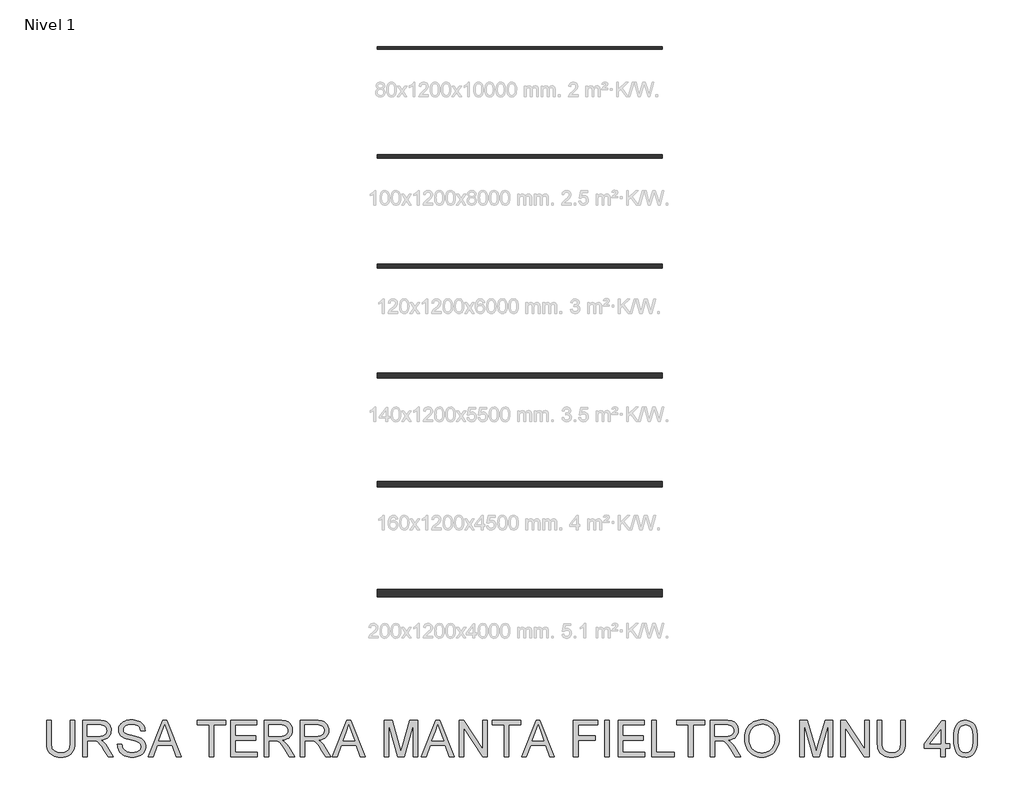
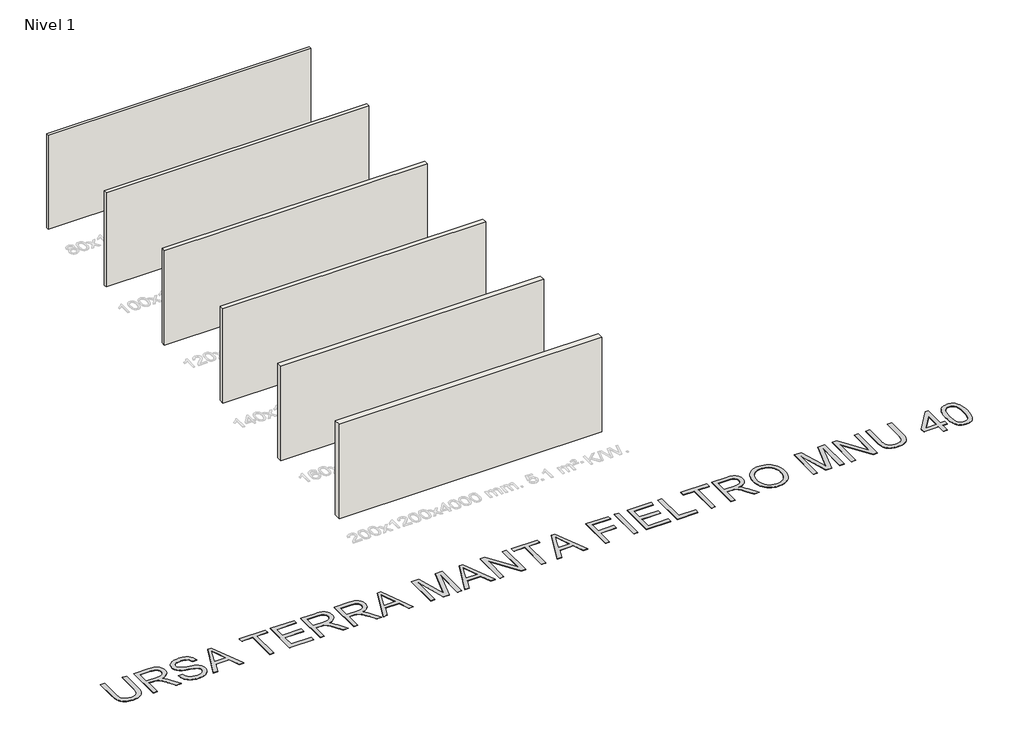
# One storey, part 1 of 7: 6 walls, 1 proxy.
"""IFC4 building model written with IfcOpenShell, lengths in millimetres."""

from ifc_helpers import new_model, si_unit, origin, origin_with_axes, place, context, project, spatial, polyline, outline, extrude, element, save

model = new_model("IFC4")

# Units and contexts
model_context = context("Model", 3, world=origin())
ifc_project = project(units=[si_unit("LENGTHUNIT", "METRE", prefix="MILLI")], contexts=[model_context])

# Site, building, storey
site = spatial("IfcSite", under=ifc_project)
building = spatial("IfcBuilding", under=site)
storey = spatial("IfcBuildingStorey", under=building, Name="Nivel 1", Elevation=0.0)

# Proxy
placement = place(None, origin())
element("IfcBuildingElementProxy", 1, Name="Texto de modelo 2", ObjectType="Texto de modelo 2", at=placement, inside=storey, context=model_context, shape_type="SweptSolid", body=[
    extrude(outline(polyline([(-8735.1137766, -14680.0537554), (-8609.5433889, -14680.0537554), (-8609.5433889, -15259.5905251), (-8611.6740388, -15331.3505068), (-8618.0659884, -15395.3083245), (-8628.7192379, -15451.4639782), (-8643.6337871, -15499.817468), (-8664.0972231, -15542.2005395), (-8691.3971328, -15580.4449386), (-8725.5335163, -15614.5506652), (-8766.5063735, -15644.5177194), (-8814.3616897, -15668.9282226), (-8869.1454501, -15686.3642963), (-8930.8576548, -15696.8259406), (-8999.4983038, -15700.3131553), (-9066.4451627, -15697.2781289), (-9127.0000719, -15688.1730495), (-9181.1630315, -15672.9979172), (-9228.9340414, -15651.752732), (-9270.3207659, -15624.7517264), (-9305.3308691, -15592.3091329), (-9333.9643511, -15554.4249516), (-9356.2212118, -15511.0991825), (-9372.9061931, -15460.8449691), (-9384.8240369, -15402.1754551), (-9391.9747432, -15335.0906404), (-9394.3583119, -15259.5905251), (-9394.3583119, -14680.0537554), (-9268.7879242, -14680.0537554), (-9268.7879242, -15255.1759412), (-9267.2397542, -15315.8841346), (-9262.595244, -15368.0237432), (-9254.8543937, -15411.594767), (-9244.0172032, -15446.597206), (-9229.4092223, -15475.5602489), (-9210.3560007, -15501.0130844), (-9186.8575382, -15522.9557126), (-9158.913835, -15541.3881334), (-9127.0613856, -15555.9807859), (-9091.8366846, -15566.4041091), (-9053.2397319, -15572.658103), (-9011.2705276, -15574.7427676), (-8942.0627273, -15570.6194236), (-8883.5541616, -15558.2493915), (-8835.7448307, -15537.6326714), (-8815.8523782, -15524.2318033), (-8798.6347344, -15508.7692632), (-8783.7470099, -15490.3751634), (-8770.8443154, -15468.1796164), (-8750.994016, -15412.3841804), (-8739.0838364, -15341.3829554), (-8735.1137766, -15255.1759412), (-8735.1137766, -14680.0537554)])), origin_with_axes(), (0.0, 0.0, 1.0), 10.0),
    extrude(outline(polyline([(-8389.7952104, -15684.6168569), (-8389.7952104, -14680.0537554), (-7956.9207294, -14680.0537554), (-7894.7869933, -14681.7475454), (-7840.5780485, -14686.8289155), (-7794.2938949, -14695.2978655), (-7755.9345327, -14707.1543957), (-7723.2696773, -14723.3105466), (-7694.0690439, -14744.6783592), (-7668.3326326, -14771.2578333), (-7646.0604435, -14803.0489691), (-7628.0878752, -14838.342648), (-7615.2503264, -14875.4297516), (-7607.5477971, -14914.31028), (-7604.9802874, -14954.9842331), (-7609.233923, -15006.5796829), (-7621.9948297, -15053.9444898), (-7643.2630075, -15097.0786537), (-7673.0384565, -15135.9821747), (-7711.704387, -15169.413451), (-7759.6440095, -15196.1308809), (-7816.857324, -15216.1344644), (-7883.3443304, -15229.4242015), (-7841.9576059, -15256.4635281), (-7811.9752233, -15283.1349728), (-7760.5330577, -15344.1420703), (-7710.194538, -15412.3841804), (-7542.6856029, -15684.6168569), (-7688.6121276, -15684.6168569), (-7819.3328632, -15476.3956476), (-7871.6334202, -15396.9331366), (-7913.7559087, -15338.5625267), (-7948.8579824, -15298.3714188), (-7980.0972951, -15273.4474136), (-8009.6811389, -15258.8241043), (-8039.8168057, -15249.5350839), (-8112.6574407, -15245.1205), (-8264.2248227, -15245.1205), (-8264.2248227, -15684.6168569), (-8389.7952104, -15684.6168569)]), holes=[polyline([(-8264.2248227, -15119.5501123), (-7983.1629784, -15119.5501123), (-7902.4435373, -15115.1048715), (-7839.8116276, -15101.7691492), (-7814.6270394, -15091.5450954), (-7792.6614186, -15078.6538971), (-7773.9147653, -15063.0955544), (-7758.3870794, -15044.8700673), (-7746.2086525, -15024.874148), (-7737.5097762, -15004.004509), (-7732.2904503, -14982.2611502), (-7730.5506751, -14959.6440717), (-7733.8692772, -14927.5310392), (-7743.8250837, -14898.3917195), (-7760.4180946, -14872.2261126), (-7783.6483097, -14849.0342185), (-7814.0522238, -14830.0423105), (-7852.1663313, -14816.4766619), (-7897.9906323, -14808.3372728), (-7951.5251268, -14805.6241431), (-8264.2248227, -14805.6241431), (-8264.2248227, -15119.5501123)])]), origin_with_axes(), (0.0, 0.0, 1.0), 10.0),
    extrude(outline(polyline([(-7432.3210043, -15339.2982907), (-7306.7506166, -15339.2982907), (-7301.0024605, -15375.8488998), (-7292.3419052, -15408.981272), (-7280.7689507, -15438.6954073), (-7266.2835972, -15464.9913057), (-7248.1500805, -15488.3977977), (-7225.6326367, -15509.4437135), (-7198.7312658, -15528.1290532), (-7167.4459678, -15544.4538167), (-7132.9263739, -15557.7052327), (-7096.3221154, -15567.1705299), (-7057.6331922, -15572.8497082), (-7016.8596044, -15574.7427676), (-6946.9007117, -15569.0099399), (-6915.186218, -15561.8439052), (-6885.6483595, -15551.8114566), (-6859.0152359, -15539.2728119), (-6836.014947, -15524.588189), (-6816.6474928, -15507.7575877), (-6800.9128733, -15488.7810081), (-6788.7344464, -15468.4785205), (-6780.03557, -15447.6701951), (-6774.8162442, -15426.356032), (-6773.076469, -15404.5360312), (-6778.2881306, -15362.5055133), (-6793.9231154, -15326.1771662), (-6807.0748967, -15310.0593363), (-6825.6835943, -15295.1831081), (-6849.7492081, -15281.5484817), (-6879.2717382, -15269.155457), (-6945.5824679, -15249.4431134), (-7062.1090898, -15221.2081703), (-7182.1305908, -15189.4783482), (-7225.9315408, -15174.1882528), (-7258.9259573, -15159.2813678), (-7292.4568683, -15139.2777843), (-7321.4352396, -15117.036252), (-7345.8610712, -15092.5567709), (-7365.7343632, -15065.839341), (-7381.1317575, -15037.1598738), (-7392.1298963, -15006.7942808), (-7398.7287796, -14974.7425619), (-7400.9284074, -14941.0047173), (-7398.2076135, -14903.6110453), (-7390.0452317, -14867.4589751), (-7376.4412621, -14832.5485066), (-7357.3957046, -14798.8796398), (-7333.1231572, -14767.8242681), (-7303.8382175, -14740.7542846), (-7269.5408857, -14717.6696894), (-7230.2311616, -14698.5704825), (-7187.2349535, -14683.6022838), (-7141.8781691, -14672.9107133), (-7094.1608087, -14666.495771), (-7044.0828721, -14664.3574569), (-6989.4523958, -14666.5954057), (-6938.1328575, -14673.3092521), (-6890.1242571, -14684.4989961), (-6845.4265947, -14700.1646378), (-6804.8676047, -14720.1682213), (-6769.2750217, -14744.3717909), (-6738.6488456, -14772.7753466), (-6712.9890764, -14805.3788884), (-6692.4949836, -14841.2320545), (-6677.3658366, -14879.3844831), (-6667.6016353, -14919.8361741), (-6663.2023797, -14962.5871277), (-6788.7727674, -14962.5871277), (-6797.1727396, -14922.518647), (-6811.8267058, -14887.661828), (-6832.7346658, -14858.0166705), (-6859.8966198, -14833.5831747), (-6893.8184055, -14814.4839678), (-6935.0058605, -14800.8416771), (-6983.458985, -14792.6563027), (-7039.1777788, -14789.9278446), (-7096.674669, -14792.6256459), (-7145.8022437, -14800.7190498), (-7186.5605031, -14814.2080563), (-7218.9494471, -14833.0926654), (-7243.6281976, -14855.7940502), (-7261.2558766, -14880.7333837), (-7271.8324839, -14907.9106661), (-7275.3580197, -14937.3258973), (-7272.8594878, -14962.6331129), (-7265.3638922, -14985.5797524), (-7252.8712328, -15006.1658157), (-7235.3815096, -15024.3913029), (-7207.8516736, -15041.6510998), (-7164.5029118, -15059.0948377), (-7105.3352243, -15076.7225167), (-7030.3486109, -15094.5341366), (-6891.9023534, -15128.1953392), (-6843.1886459, -15143.4164567), (-6808.1478858, -15157.5645851), (-6769.6505679, -15179.0090397), (-6736.5641809, -15203.1206388), (-6708.888725, -15229.8993824), (-6686.6242001, -15259.3452704), (-6669.5100231, -15291.3050188), (-6657.285611, -15325.6253432), (-6649.9509637, -15362.3062438), (-6647.5060813, -15401.3477206), (-6650.3188457, -15440.6267878), (-6658.757139, -15478.7562237), (-6672.8209611, -15515.7360285), (-6692.510312, -15551.5662019), (-6717.4803024, -15584.8595225), (-6747.386043, -15614.2287685), (-6782.2275336, -15639.6739398), (-6822.0047743, -15661.1950365), (-6865.5604697, -15678.3092135), (-6911.7373243, -15690.5336256), (-6960.5353381, -15697.8682729), (-7011.9545112, -15700.3131553), (-7076.1882404, -15697.6766677), (-7134.9803817, -15689.7672048), (-7188.3309352, -15676.5847666), (-7236.2399009, -15658.1293532), (-7278.9985186, -15634.3703077), (-7316.8980283, -15605.2769732), (-7349.93843, -15570.8493499), (-7378.1197237, -15531.0874375), (-7400.8211085, -15487.2788233), (-7417.4217835, -15440.7110941), (-7427.9217488, -15391.3842499), (-7432.3210043, -15339.2982907)])), origin_with_axes(), (0.0, 0.0, 1.0), 10.0),
    extrude(outline(polyline([(-6576.1369742, -15684.6168569), (-6175.1455995, -14680.0537554), (-6068.2145662, -14680.0537554), (-5667.2231915, -15684.6168569), (-5799.9059644, -15684.6168569), (-5914.9304015, -15370.6908877), (-6328.6750188, -15370.6908877), (-6443.4542013, -15684.6168569), (-6576.1369742, -15684.6168569)]), holes=[polyline([(-6282.5671421, -15245.1205), (-5960.7930236, -15245.1205), (-6051.2919944, -14998.1490539), (-6121.6800828, -14805.6241431), (-6184.220022, -14976.5666435), (-6282.5671421, -15245.1205)])]), origin_with_axes(), (0.0, 0.0, 1.0), 10.0),
    extrude(outline(polyline([(-4889.5206537, -15684.6168569), (-4889.5206537, -14805.6241431), (-5219.1429213, -14805.6241431), (-5219.1429213, -14680.0537554), (-4434.3279983, -14680.0537554), (-4434.3279983, -14805.6241431), (-4763.950266, -14805.6241431), (-4763.950266, -15684.6168569), (-4889.5206537, -15684.6168569)])), origin_with_axes(), (0.0, 0.0, 1.0), 10.0),
    extrude(outline(polyline([(-4293.0613121, -15684.6168569), (-4293.0613121, -14680.0537554), (-3571.0315829, -14680.0537554), (-3571.0315829, -14805.6241431), (-4167.4909245, -14805.6241431), (-4167.4909245, -15103.8538138), (-3602.4241799, -15103.8538138), (-3602.4241799, -15229.4242015), (-4167.4909245, -15229.4242015), (-4167.4909245, -15559.0464692), (-3555.3352845, -15559.0464692), (-3555.3352845, -15684.6168569), (-4293.0613121, -15684.6168569)])), origin_with_axes(), (0.0, 0.0, 1.0), 10.0),
    extrude(outline(polyline([(-3366.979703, -15684.6168569), (-3366.979703, -14680.0537554), (-2934.105222, -14680.0537554), (-2871.9714858, -14681.7475454), (-2817.762541, -14686.8289155), (-2771.4783875, -14695.2978655), (-2733.1190253, -14707.1543957), (-2700.4541698, -14723.3105466), (-2671.2535364, -14744.6783592), (-2645.5171252, -14771.2578333), (-2623.244936, -14803.0489691), (-2605.2723677, -14838.342648), (-2592.4348189, -14875.4297516), (-2584.7322897, -14914.31028), (-2582.1647799, -14954.9842331), (-2586.4184155, -15006.5796829), (-2599.1793222, -15053.9444898), (-2620.4475, -15097.0786537), (-2650.222949, -15135.9821747), (-2688.8888796, -15169.413451), (-2736.828502, -15196.1308809), (-2794.0418165, -15216.1344644), (-2860.5288229, -15229.4242015), (-2819.1420985, -15256.4635281), (-2789.1597159, -15283.1349728), (-2737.7175502, -15344.1420703), (-2687.3790305, -15412.3841804), (-2519.8700954, -15684.6168569), (-2665.7966201, -15684.6168569), (-2796.5173558, -15476.3956476), (-2848.8179127, -15396.9331366), (-2890.9404012, -15338.5625267), (-2926.0424749, -15298.3714188), (-2957.2817877, -15273.4474136), (-2986.8656314, -15258.8241043), (-3017.0012982, -15249.5350839), (-3089.8419333, -15245.1205), (-3241.4093153, -15245.1205), (-3241.4093153, -15684.6168569), (-3366.979703, -15684.6168569)]), holes=[polyline([(-3241.4093153, -15119.5501123), (-2960.347471, -15119.5501123), (-2879.6280298, -15115.1048715), (-2816.9961202, -15101.7691492), (-2791.8115319, -15091.5450954), (-2769.8459111, -15078.6538971), (-2751.0992578, -15063.0955544), (-2735.5715719, -15044.8700673), (-2723.393145, -15024.874148), (-2714.6942687, -15004.004509), (-2709.4749429, -14982.2611502), (-2707.7351676, -14959.6440717), (-2711.0537698, -14927.5310392), (-2721.0095763, -14898.3917195), (-2737.6025871, -14872.2261126), (-2760.8328022, -14849.0342185), (-2791.2367163, -14830.0423105), (-2829.3508238, -14816.4766619), (-2875.1751249, -14808.3372728), (-2928.7096194, -14805.6241431), (-3241.4093153, -14805.6241431), (-3241.4093153, -15119.5501123)])]), origin_with_axes(), (0.0, 0.0, 1.0), 10.0),
    extrude(outline(polyline([(-2362.4166015, -15684.6168569), (-2362.4166015, -14680.0537554), (-1929.5421205, -14680.0537554), (-1867.4083843, -14681.7475454), (-1813.1994395, -14686.8289155), (-1766.915286, -14695.2978655), (-1728.5559238, -14707.1543957), (-1695.8910683, -14723.3105466), (-1666.6904349, -14744.6783592), (-1640.9540237, -14771.2578333), (-1618.6818345, -14803.0489691), (-1600.7092662, -14838.342648), (-1587.8717174, -14875.4297516), (-1580.1691882, -14914.31028), (-1577.6016784, -14954.9842331), (-1581.855314, -15006.5796829), (-1594.6162207, -15053.9444898), (-1615.8843985, -15097.0786537), (-1645.6598475, -15135.9821747), (-1684.3257781, -15169.413451), (-1732.2654006, -15196.1308809), (-1789.478715, -15216.1344644), (-1855.9657214, -15229.4242015), (-1814.578997, -15256.4635281), (-1784.5966144, -15283.1349728), (-1733.1544487, -15344.1420703), (-1682.815929, -15412.3841804), (-1515.3069939, -15684.6168569), (-1661.2335187, -15684.6168569), (-1791.9542543, -15476.3956476), (-1844.2548113, -15396.9331366), (-1886.3772997, -15338.5625267), (-1921.4793734, -15298.3714188), (-1952.7186862, -15273.4474136), (-1982.3025299, -15258.8241043), (-2012.4381967, -15249.5350839), (-2085.2788318, -15245.1205), (-2236.8462138, -15245.1205), (-2236.8462138, -15684.6168569), (-2362.4166015, -15684.6168569)]), holes=[polyline([(-2236.8462138, -15119.5501123), (-1955.7843695, -15119.5501123), (-1875.0649283, -15115.1048715), (-1812.4330187, -15101.7691492), (-1787.2484304, -15091.5450954), (-1765.2828096, -15078.6538971), (-1746.5361563, -15063.0955544), (-1731.0084704, -15044.8700673), (-1718.8300435, -15024.874148), (-1710.1311672, -15004.004509), (-1704.9118414, -14982.2611502), (-1703.1720661, -14959.6440717), (-1706.4906683, -14927.5310392), (-1716.4464748, -14898.3917195), (-1733.0394856, -14872.2261126), (-1756.2697007, -14849.0342185), (-1786.6736148, -14830.0423105), (-1824.7877223, -14816.4766619), (-1870.6120234, -14808.3372728), (-1924.1465179, -14805.6241431), (-2236.8462138, -14805.6241431), (-2236.8462138, -15119.5501123)])]), origin_with_axes(), (0.0, 0.0, 1.0), 10.0),
    extrude(outline(polyline([(-1474.8399744, -15684.6168569), (-1073.8485997, -14680.0537554), (-966.9175664, -14680.0537554), (-565.9261917, -15684.6168569), (-698.6089646, -15684.6168569), (-813.6334018, -15370.6908877), (-1227.378019, -15370.6908877), (-1342.1572015, -15684.6168569), (-1474.8399744, -15684.6168569)]), holes=[polyline([(-1181.2701423, -15245.1205), (-859.4960238, -15245.1205), (-949.9949946, -14998.1490539), (-1020.3830831, -14805.6241431), (-1082.9230222, -14976.5666435), (-1181.2701423, -15245.1205)])]), origin_with_axes(), (0.0, 0.0, 1.0), 10.0),
    extrude(outline(polyline([(-39.3644292, -15684.6168569), (-39.3644292, -14680.0537554), (176.7049293, -14680.0537554), (382.2283372, -15388.1039688), (423.6763753, -15535.9925308), (468.5579788, -15375.8412356), (670.6478214, -14680.0537554), (886.7171799, -14680.0537554), (886.7171799, -15684.6168569), (761.1467923, -15684.6168569), (761.1467923, -14805.6241431), (508.7797436, -15684.6168569), (338.5730071, -15684.6168569), (86.2059584, -14805.6241431), (86.2059584, -15684.6168569), (-39.3644292, -15684.6168569)])), origin_with_axes(), (0.0, 0.0, 1.0), 10.0),
    extrude(outline(polyline([(989.4788839, -15684.6168569), (1390.4702587, -14680.0537554), (1497.4012919, -14680.0537554), (1898.3926667, -15684.6168569), (1765.7098938, -15684.6168569), (1650.6854566, -15370.6908877), (1236.9408394, -15370.6908877), (1122.1616569, -15684.6168569), (989.4788839, -15684.6168569)]), holes=[polyline([(1283.0487161, -15245.1205), (1604.8228345, -15245.1205), (1514.3238637, -14998.1490539), (1443.9357753, -14805.6241431), (1381.3958361, -14976.5666435), (1283.0487161, -15245.1205)])]), origin_with_axes(), (0.0, 0.0, 1.0), 10.0),
    extrude(outline(polyline([(2032.5469676, -15684.6168569), (2032.5469676, -14680.0537554), (2166.9465232, -14680.0537554), (2691.7915029, -15475.9051383), (2691.7915029, -14680.0537554), (2817.3618906, -14680.0537554), (2817.3618906, -15684.6168569), (2682.9623351, -15684.6168569), (2158.1173553, -14888.5202193), (2158.1173553, -15684.6168569), (2032.5469676, -15684.6168569)])), origin_with_axes(), (0.0, 0.0, 1.0), 10.0),
    extrude(outline(polyline([(3288.2508445, -15684.6168569), (3288.2508445, -14805.6241431), (2958.6285768, -14805.6241431), (2958.6285768, -14680.0537554), (3743.4434998, -14680.0537554), (3743.4434998, -14805.6241431), (3413.8212321, -14805.6241431), (3413.8212321, -15684.6168569), (3288.2508445, -15684.6168569)])), origin_with_axes(), (0.0, 0.0, 1.0), 10.0),
    extrude(outline(polyline([(3767.7237115, -15684.6168569), (4168.7150862, -14680.0537554), (4275.6461195, -14680.0537554), (4676.6374943, -15684.6168569), (4543.9547213, -15684.6168569), (4428.9302842, -15370.6908877), (4015.1856669, -15370.6908877), (3900.4064844, -15684.6168569), (3767.7237115, -15684.6168569)]), holes=[polyline([(4061.2935437, -15245.1205), (4383.0676621, -15245.1205), (4292.5686913, -14998.1490539), (4222.1806029, -14805.6241431), (4159.6406637, -14976.5666435), (4061.2935437, -15245.1205)])]), origin_with_axes(), (0.0, 0.0, 1.0), 10.0),
    extrude(outline(polyline([(5203.1992567, -15684.6168569), (5203.1992567, -14680.0537554), (5878.1400905, -14680.0537554), (5878.1400905, -14805.6241431), (5328.7696444, -14805.6241431), (5328.7696444, -15103.8538138), (5799.6585982, -15103.8538138), (5799.6585982, -15229.4242015), (5328.7696444, -15229.4242015), (5328.7696444, -15684.6168569), (5203.1992567, -15684.6168569)])), origin_with_axes(), (0.0, 0.0, 1.0), 10.0),
    extrude(outline(polyline([(6066.495672, -15684.6168569), (6066.495672, -14680.0537554), (6192.0660597, -14680.0537554), (6192.0660597, -15684.6168569), (6066.495672, -15684.6168569)])), origin_with_axes(), (0.0, 0.0, 1.0), 10.0),
    extrude(outline(polyline([(6443.2068351, -15684.6168569), (6443.2068351, -14680.0537554), (7165.2365643, -14680.0537554), (7165.2365643, -14805.6241431), (6568.7772228, -14805.6241431), (6568.7772228, -15103.8538138), (7133.8439674, -15103.8538138), (7133.8439674, -15229.4242015), (6568.7772228, -15229.4242015), (6568.7772228, -15559.0464692), (7180.9328628, -15559.0464692), (7180.9328628, -15684.6168569), (6443.2068351, -15684.6168569)])), origin_with_axes(), (0.0, 0.0, 1.0), 10.0),
    extrude(outline(polyline([(7369.2884443, -15684.6168569), (7369.2884443, -14680.0537554), (7494.858832, -14680.0537554), (7494.858832, -15559.0464692), (7997.1403827, -15559.0464692), (7997.1403827, -15684.6168569), (7369.2884443, -15684.6168569)])), origin_with_axes(), (0.0, 0.0, 1.0), 10.0),
    extrude(outline(polyline([(8389.5478442, -15684.6168569), (8389.5478442, -14805.6241431), (8059.9255766, -14805.6241431), (8059.9255766, -14680.0537554), (8844.7404996, -14680.0537554), (8844.7404996, -14805.6241431), (8515.1182319, -14805.6241431), (8515.1182319, -15684.6168569), (8389.5478442, -15684.6168569)])), origin_with_axes(), (0.0, 0.0, 1.0), 10.0),
    extrude(outline(polyline([(8986.0071858, -15684.6168569), (8986.0071858, -14680.0537554), (9418.8816667, -14680.0537554), (9481.0154029, -14681.7475454), (9535.2243477, -14686.8289155), (9581.5085012, -14695.2978655), (9619.8678634, -14707.1543957), (9652.5327189, -14723.3105466), (9681.7333523, -14744.6783592), (9707.4697635, -14771.2578333), (9729.7419527, -14803.0489691), (9747.714521, -14838.342648), (9760.5520698, -14875.4297516), (9768.254599, -14914.31028), (9770.8221088, -14954.9842331), (9766.5684732, -15006.5796829), (9753.8075665, -15053.9444898), (9732.5393887, -15097.0786537), (9702.7639397, -15135.9821747), (9664.0980092, -15169.413451), (9616.1583867, -15196.1308809), (9558.9450722, -15216.1344644), (9492.4580658, -15229.4242015), (9533.8447902, -15256.4635281), (9563.8271728, -15283.1349728), (9615.2693385, -15344.1420703), (9665.6078582, -15412.3841804), (9833.1167933, -15684.6168569), (9687.1902686, -15684.6168569), (9556.4695329, -15476.3956476), (9504.168976, -15396.9331366), (9462.0464875, -15338.5625267), (9426.9444138, -15298.3714188), (9395.7051011, -15273.4474136), (9366.1212573, -15258.8241043), (9335.9855905, -15249.5350839), (9263.1449555, -15245.1205), (9111.5775734, -15245.1205), (9111.5775734, -15684.6168569), (8986.0071858, -15684.6168569)]), holes=[polyline([(9111.5775734, -15119.5501123), (9392.6394178, -15119.5501123), (9473.3588589, -15115.1048715), (9535.9907685, -15101.7691492), (9561.1753568, -15091.5450954), (9583.1409776, -15078.6538971), (9601.8876309, -15063.0955544), (9617.4153168, -15044.8700673), (9629.5937437, -15024.874148), (9638.29262, -15004.004509), (9643.5119458, -14982.2611502), (9645.2517211, -14959.6440717), (9641.9331189, -14927.5310392), (9631.9773125, -14898.3917195), (9615.3843016, -14872.2261126), (9592.1540865, -14849.0342185), (9561.7501724, -14830.0423105), (9523.6360649, -14816.4766619), (9477.8117639, -14808.3372728), (9424.2772693, -14805.6241431), (9111.5775734, -14805.6241431), (9111.5775734, -15119.5501123)])]), origin_with_axes(), (0.0, 0.0, 1.0), 10.0),
    extrude(outline(polyline([(9943.4813919, -15195.5790579), (9945.5737207, -15134.9743313), (9951.8507073, -15077.7495206), (9962.3123515, -15023.9046256), (9976.9586534, -14973.4396465), (9995.7896131, -14926.3545832), (10018.8052304, -14882.6494358), (10046.0055054, -14842.3242042), (10077.3904381, -14805.3788884), (10112.0824767, -14772.3269904), (10149.2040693, -14743.6820121), (10188.7552158, -14719.4439536), (10230.7359164, -14699.6128148), (10275.146171, -14684.1885957), (10321.9859797, -14673.1712964), (10371.2553423, -14666.5609168), (10422.9542589, -14664.3574569), (10490.5372471, -14668.4961294), (10554.7173269, -14680.9121467), (10615.4944981, -14701.6055089), (10672.868761, -14730.576216), (10725.2306316, -14766.9505483), (10770.9706264, -14809.854786), (10810.0887452, -14859.2889291), (10842.5849881, -14915.2529776), (10868.1221299, -14976.474673), (10886.3629455, -15041.6817566), (10897.3074349, -15110.8742286), (10900.955598, -15184.0520888), (10897.1158297, -15258.1956392), (10885.5965247, -15328.3231445), (10866.3976831, -15394.4346048), (10839.5193048, -15456.5300199), (10805.5975192, -15512.9692493), (10765.2684554, -15562.1121525), (10718.5321136, -15603.9587294), (10665.3884937, -15638.5089801), (10607.9299246, -15665.5483068), (10548.2487351, -15684.8621115), (10486.3449252, -15696.4503944), (10422.2184949, -15700.3131553), (10353.4552187, -15696.0441913), (10288.432076, -15683.2372994), (10227.149067, -15661.8924795), (10169.6061916, -15632.0097316), (10117.3056346, -15594.7463511), (10071.7495809, -15551.2596336), (10032.9380304, -15501.549579), (10000.8709831, -15445.6161873), (9975.7630369, -15385.7050716), (9957.8287897, -15324.0618448), (9947.0682413, -15260.6865069), (9943.4813919, -15195.5790579)]), holes=[polyline([(10069.0517796, -15196.8053313), (10070.6210262, -15239.5984379), (10075.3287661, -15280.0539611), (10083.1749993, -15318.1719007), (10094.1597257, -15353.9522569), (10108.2829454, -15387.3950295), (10125.5446584, -15418.5002186), (10145.9448647, -15447.2678242), (10169.4835642, -15473.6978463), (10195.3905041, -15497.3802497), (10222.8954314, -15517.9049994), (10251.9983461, -15535.2720952), (10282.6992483, -15549.4815373), (10314.9981378, -15560.5333256), (10348.8950148, -15568.4274601), (10384.3898791, -15573.1639407), (10421.4827309, -15574.7427676), (10459.2538652, -15573.1486123), (10495.3120488, -15568.3661464), (10529.657282, -15560.3953698), (10562.2895646, -15549.2362826), (10593.2088967, -15534.8888848), (10622.4152782, -15517.3531764), (10649.9087092, -15496.6291573), (10675.6891896, -15472.7168276), (10699.0554445, -15445.8729383), (10719.3061987, -15416.3542403), (10736.4414522, -15384.1607336), (10750.4612051, -15349.2924183), (10761.3654574, -15311.7492942), (10769.154209, -15271.5313615), (10773.82746, -15228.6386202), (10775.3852103, -15183.0710701), (10772.7180658, -15125.6048368), (10764.7166324, -15071.9093939), (10751.3809101, -15021.9847415), (10732.7108989, -14975.8308795), (10708.9135323, -14934.0532804), (10680.195744, -14897.2574167), (10646.5575341, -14865.4432883), (10607.9989025, -14838.6108953), (10565.7154657, -14817.3120606), (10520.9028401, -14802.0986073), (10473.5610259, -14792.9705353), (10423.6900229, -14789.9278446), (10353.6238312, -14795.7909639), (10288.616017, -14813.3803218), (10258.0090014, -14826.5723402), (10228.6665802, -14842.6959183), (10173.7755209, -14883.7377534), (10149.230894, -14909.1503518), (10127.958884, -14938.4831928), (10109.959491, -14971.7362762), (10095.2327149, -15008.9096022), (10083.7785557, -15050.0031707), (10075.5970134, -15095.0169817), (10070.688088, -15143.9510352), (10069.0517796, -15196.8053313)])]), origin_with_axes(), (0.0, 0.0, 1.0), 10.0),
    extrude(outline(polyline([(11466.0223426, -15684.6168569), (11466.0223426, -14680.0537554), (11682.0917011, -14680.0537554), (11887.615109, -15388.1039688), (11929.0631472, -15535.9925308), (11973.9447506, -15375.8412356), (12176.0345933, -14680.0537554), (12392.1039518, -14680.0537554), (12392.1039518, -15684.6168569), (12266.5335641, -15684.6168569), (12266.5335641, -14805.6241431), (12014.1665154, -15684.6168569), (11843.959779, -15684.6168569), (11591.5927303, -14805.6241431), (11591.5927303, -15684.6168569), (11466.0223426, -15684.6168569)])), origin_with_axes(), (0.0, 0.0, 1.0), 10.0),
    extrude(outline(polyline([(12611.8521302, -15684.6168569), (12611.8521302, -14680.0537554), (12746.2516858, -14680.0537554), (13271.0966656, -15475.9051383), (13271.0966656, -14680.0537554), (13396.6670533, -14680.0537554), (13396.6670533, -15684.6168569), (13262.2674977, -15684.6168569), (12737.4225179, -14888.5202193), (12737.4225179, -15684.6168569), (12611.8521302, -15684.6168569)])), origin_with_axes(), (0.0, 0.0, 1.0), 10.0),
    extrude(outline(polyline([(14275.6597671, -14680.0537554), (14401.2301548, -14680.0537554), (14401.2301548, -15259.5905251), (14399.0995049, -15331.3505068), (14392.7075552, -15395.3083245), (14382.0543058, -15451.4639782), (14367.1397565, -15499.817468), (14346.6763206, -15542.2005395), (14319.3764108, -15580.4449386), (14285.2400274, -15614.5506652), (14244.2671702, -15644.5177194), (14196.4118539, -15668.9282226), (14141.6280935, -15686.3642963), (14079.9158888, -15696.8259406), (14011.2752399, -15700.3131553), (13944.328381, -15697.2781289), (13883.7734717, -15688.1730495), (13829.6105121, -15672.9979172), (13781.8395022, -15651.752732), (13740.4527778, -15624.7517264), (13705.4426745, -15592.3091329), (13676.8091926, -15554.4249516), (13654.5523319, -15511.0991825), (13637.8673506, -15460.8449691), (13625.9495068, -15402.1754551), (13618.7988005, -15335.0906404), (13616.4152317, -15259.5905251), (13616.4152317, -14680.0537554), (13741.9856194, -14680.0537554), (13741.9856194, -15255.1759412), (13743.5337895, -15315.8841346), (13748.1782997, -15368.0237432), (13755.91915, -15411.594767), (13766.7563404, -15446.597206), (13781.3643213, -15475.5602489), (13800.417543, -15501.0130844), (13823.9160054, -15522.9557126), (13851.8597086, -15541.3881334), (13883.712158, -15555.9807859), (13918.9368591, -15566.4041091), (13957.5338117, -15572.658103), (13999.503016, -15574.7427676), (14068.7108164, -15570.6194236), (14127.219382, -15558.2493915), (14175.028713, -15537.6326714), (14194.9211654, -15524.2318033), (14212.1388092, -15508.7692632), (14227.0265337, -15490.3751634), (14239.9292283, -15468.1796164), (14259.7795276, -15412.3841804), (14271.6897072, -15341.3829554), (14275.6597671, -15255.1759412), (14275.6597671, -14680.0537554)])), origin_with_axes(), (0.0, 0.0, 1.0), 10.0),
    extrude(outline(polyline([(15374.4006593, -15684.6168569), (15374.4006593, -15449.17238), (14919.208004, -15449.17238), (14919.208004, -15323.6019923), (15405.7932563, -14695.7500538), (15499.971047, -14695.7500538), (15499.971047, -15323.6019923), (15625.5414347, -15323.6019923), (15625.5414347, -15449.17238), (15499.971047, -15449.17238), (15499.971047, -15684.6168569), (15374.4006593, -15684.6168569)]), holes=[polyline([(15374.4006593, -15323.6019923), (15374.4006593, -14935.6091147), (15073.7184419, -15323.6019923), (15374.4006593, -15323.6019923)])]), origin_with_axes(), (0.0, 0.0, 1.0), 10.0),
    extrude(outline(polyline([(15735.4155239, -15190.42871), (15737.7224506, -15105.9614711), (15744.6432306, -15029.6336213), (15756.177864, -14961.4451606), (15772.3263508, -14901.3960891), (15793.019713, -14848.9958974), (15818.1889728, -14803.7540763), (15847.8341303, -14765.6706255), (15881.9551853, -14734.7455453), (15920.6671011, -14710.8178872), (15964.0848408, -14693.7267029), (16012.2084043, -14683.4719922), (16065.0377916, -14680.0537554), (16104.7383903, -14682.0771063), (16142.4156379, -14688.1471593), (16178.0695346, -14698.2639141), (16211.7000804, -14712.4273709), (16242.494869, -14730.3999393), (16269.6414946, -14751.9440286), (16293.139957, -14777.059639), (16312.9902564, -14805.7467704), (16345.7317539, -14873.3757438), (16371.8513756, -14954.3710964), (16381.8301747, -15002.0041506), (16388.9578884, -15057.2247709), (16394.6600593, -15190.42871), (16392.3761252, -15274.3594544), (16385.5243231, -15350.3040938), (16374.1046528, -15418.2626282), (16358.1171144, -15478.2350576), (16337.5847006, -15530.6582419), (16312.5304039, -15575.969041), (16282.9542243, -15614.1674548), (16248.8561619, -15645.2534834), (16210.0982608, -15669.3420899), (16166.5425654, -15686.5482373), (16118.1890757, -15696.8719258), (16065.0377916, -15700.3131553), (15995.8759765, -15694.3350729), (15964.2381249, -15686.8624699), (15934.5623107, -15676.4008256), (15906.8485337, -15662.9501402), (15881.096794, -15646.5104135), (15857.3070917, -15627.0816457), (15835.4794266, -15604.6638366), (15812.0269494, -15569.1670562), (15791.7014692, -15529.0181013), (15774.5029859, -15484.2169721), (15760.4314996, -15434.7636685), (15749.4870102, -15380.6581905), (15741.6695179, -15321.900538), (15736.9790224, -15258.4907112), (15735.4155239, -15190.42871)]), holes=[polyline([(15860.9859116, -15190.1834554), (15864.6647316, -15299.3447732), (15875.7011914, -15387.7054299), (15894.0952912, -15455.2654255), (15906.051456, -15481.2451754), (15919.8470308, -15502.0247599), (15950.9943731, -15533.8388883), (15985.5752807, -15556.5632657), (16023.5897535, -15570.1978922), (16065.0377916, -15574.7427676), (16106.4858297, -15570.1825637), (16144.5003026, -15556.501952), (16179.0812101, -15533.7009326), (16210.2285524, -15501.7795053), (16224.0241272, -15480.9501033), (16235.980292, -15454.9435288), (16254.3743918, -15387.3988616), (16265.4108517, -15299.1455038), (16269.0896716, -15190.1834554), (16265.533479, -15083.911544), (16254.8649011, -14997.1067215), (16237.083938, -14929.768988), (16225.526312, -14903.4002796), (16212.1905897, -14881.8983434), (16181.5644136, -14848.5283807), (16146.5849672, -14824.6926931), (16107.2522506, -14810.3912806), (16063.5662636, -14805.6241431), (16022.3328233, -14809.8241292), (15984.962144, -14822.4240875), (15951.4542256, -14843.4240181), (15921.8090682, -14872.8239208), (15907.5536408, -14896.6136232), (15895.1989372, -14924.9405368), (15876.1917008, -14995.2059979), (15864.7873589, -15083.6203041), (15860.9859116, -15190.1834554)])]), origin_with_axes(), (0.0, 0.0, 1.0), 10.0),
])

# Walls
element("IfcWall", 2, at=placement, inside=storey, context=model_context, shape_type="SweptSolid", body=[
    extrude(outline(polyline([(7668.7582768, 900.3831431), (-231.2417232, 900.3831431), (-231.2417232, 1000.3831431), (7668.7582768, 1000.3831431), (7668.7582768, 900.3831431)])), origin_with_axes(), (0.0, 0.0, 1.0), 3000.0),
])
element("IfcWall", 3, at=placement, inside=storey, context=model_context, shape_type="SweptSolid", body=[
    extrude(outline(polyline([(7668.7582768, -2144.6168569), (-231.2417232, -2144.6168569), (-231.2417232, -2024.6168569), (7668.7582768, -2024.6168569), (7668.7582768, -2144.6168569)])), origin_with_axes(), (0.0, 0.0, 1.0), 3000.0),
])
element("IfcWall", 4, at=placement, inside=storey, context=model_context, shape_type="SweptSolid", body=[
    extrude(outline(polyline([(7668.7582768, -5189.6168569), (-231.2417232, -5189.6168569), (-231.2417232, -5049.6168569), (7668.7582768, -5049.6168569), (7668.7582768, -5189.6168569)])), origin_with_axes(), (0.0, 0.0, 1.0), 3000.0),
])
element("IfcWall", 5, at=placement, inside=storey, context=model_context, shape_type="SweptSolid", body=[
    extrude(outline(polyline([(7668.7582768, 3920.3831431), (-231.2417232, 3920.3831431), (-231.2417232, 4000.3831431), (7668.7582768, 4000.3831431), (7668.7582768, 3920.3831431)])), origin_with_axes(), (0.0, 0.0, 1.0), 3000.0),
])
element("IfcWall", 6, at=placement, inside=storey, context=model_context, shape_type="SweptSolid", body=[
    extrude(outline(polyline([(7668.7582768, -8209.6168569), (-231.2417232, -8209.6168569), (-231.2417232, -8049.6168569), (7668.7582768, -8049.6168569), (7668.7582768, -8209.6168569)])), origin_with_axes(), (0.0, 0.0, 1.0), 3000.0),
])
element("IfcWall", 7, at=placement, inside=storey, context=model_context, shape_type="SweptSolid", body=[
    extrude(outline(polyline([(7668.7582768, -11249.6168569), (-231.2417232, -11249.6168569), (-231.2417232, -11049.6168569), (7668.7582768, -11049.6168569), (7668.7582768, -11249.6168569)])), origin_with_axes(), (0.0, 0.0, 1.0), 3000.0),
])

save(model, "model.ifc")
